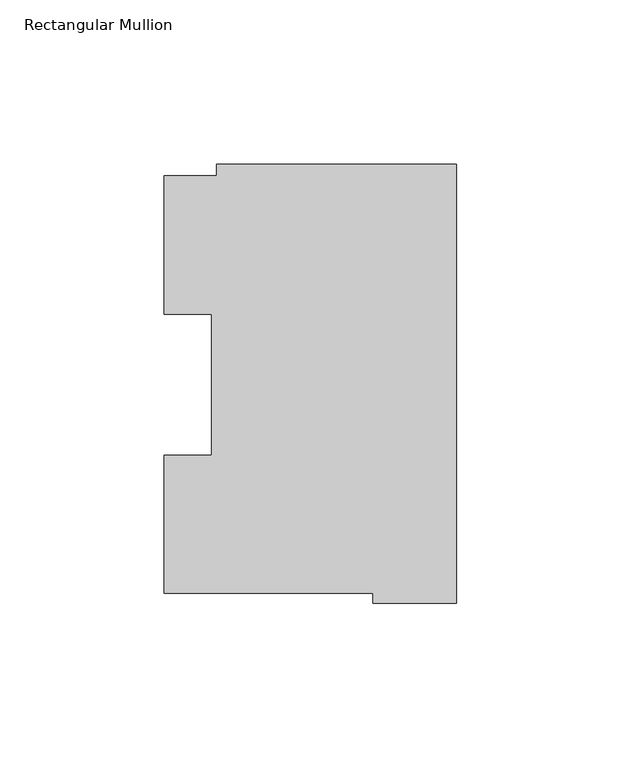
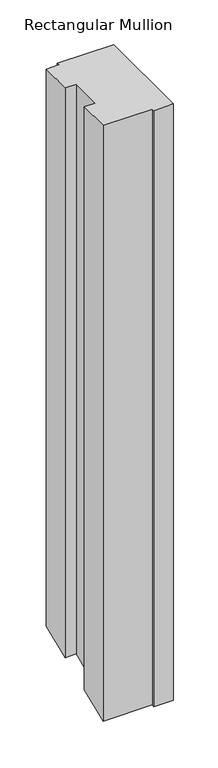
"""IFC4 building model written with IfcOpenShell, lengths in millimetres: member geometry, Rectangular Mullion."""

from ifc_helpers import new_model, si_unit, origin, place, context, project, spatial, faceted_brep, source, transform, mapped, element, save


def rectangular_mullion_a1caf40a(model_context):
    return source(origin(), model_context, "Body", "Brep", [
        faceted_brep([(-88.8772701, 127.006348, 0.0), (-88.8772701, 84.93125, 0.0), (-74.4684922, 84.93125, 0.0), (-74.4684922, 42.0814491, 0.0), (-88.8772701, 42.0814491, 0.0), (-88.8772701, 0.0063465, 0.0), (-25.3772701, 0.0063465, 0.0), (-25.3772701, -2.939538, 0.0), (0.0, -2.939538, 0.0), (0.0, 130.4246837, 0.0), (-73.025, 130.4246837, 0.0), (-73.025, 127.006348, 0.0), (-88.8772701, 127.006348, -760.1604981), (-88.8772701, 84.93125, -777.5885744), (-74.4684922, 84.93125, -777.5885744), (-74.4684922, 42.0814491, -795.3375431), (-88.8772701, 42.0814491, -795.3375431), (-88.8772701, 0.0063465, -812.7656212), (-25.3772701, 0.0063465, -812.7656212), (-25.3772701, -2.939538, -813.9858465), (0.0, -2.939538, -813.9858465), (0.0, 130.4246837, -758.7445771), (-73.025, 130.4246837, -758.7445771), (-73.025, 127.006348, -760.1604981)], [[[0, 1, 2, 3, 4, 5, 6, 7, 8, 9, 10, 11]], [[1, 0, 12, 13]], [[2, 1, 13, 14]], [[3, 2, 14, 15]], [[4, 3, 15, 16]], [[5, 4, 16, 17]], [[6, 5, 17, 18]], [[7, 6, 18, 19]], [[8, 7, 19, 20]], [[9, 8, 20, 21]], [[10, 9, 21, 22]], [[11, 10, 22, 23]], [[0, 11, 23, 12]], [[12, 23, 22, 21, 20, 19, 18, 17, 16, 15, 14, 13]]]),
    ])


if __name__ == "__main__":
    model = new_model("IFC4")
    model_context = context("Model", 3, world=origin())
    ifc_project = project(units=[si_unit("LENGTHUNIT", "METRE", prefix="MILLI")], contexts=[model_context])
    site = spatial("IfcSite", under=ifc_project)
    building = spatial("IfcBuilding", under=site)
    placement = place(None, origin())
    rectangular_mullion_shape = rectangular_mullion_a1caf40a(model_context)
    element("IfcMember", 1, ObjectType="Rectangular Mullion", at=placement, inside=building, context=model_context, shape_type="MappedRepresentation", body=[
        mapped(rectangular_mullion_shape, transform((0.0, 0.0, 0.0), x_axis=(1.0, 0.0, 0.0), y_axis=(0.0, 1.0, 0.0), z_axis=(0.0, 0.0, 1.0))),
    ])
    save(model, "model.ifc")
